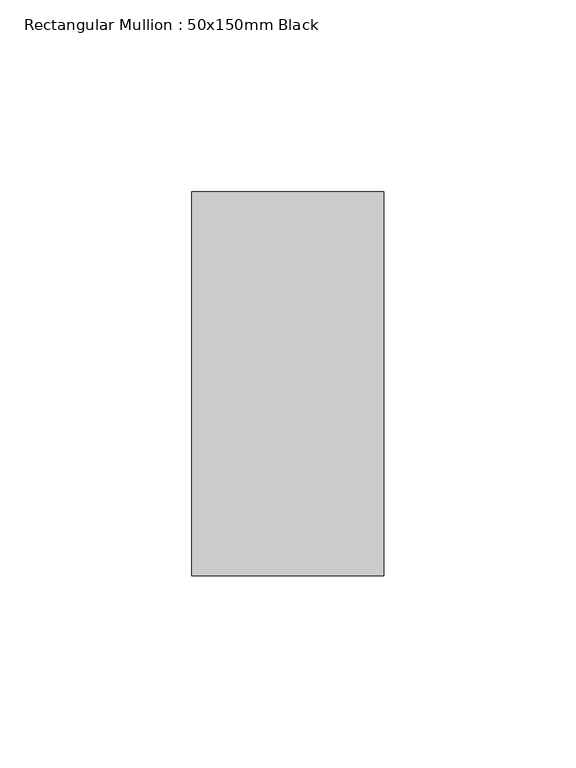
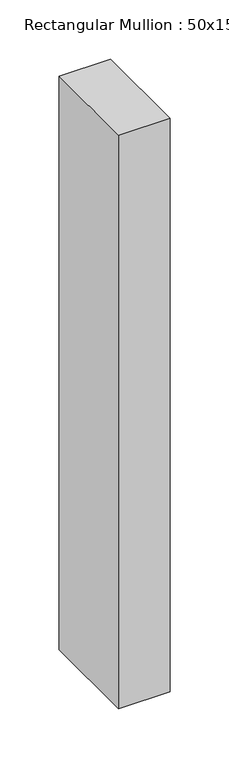
"""IFC4 building model written with IfcOpenShell, lengths in millimetres: member geometry, Rectangular Mullion : 50x150mm Black."""

from ifc_helpers import new_model, si_unit, frame, origin, place, context, project, spatial, polyline, outline, extrude, source, transform, mapped, element, save


def rectangular_mullion_50x150mm_black_3a4f57ba(model_context):
    return source(origin(), model_context, "Body", "SweptSolid", [
        extrude(outline(polyline([(0.0, 50.0), (0.0, -50.0), (-50.0, -50.0), (-50.0, 50.0), (0.0, 50.0)])), frame((0.0, 0.0, -590.0), z_axis=(0.0, 0.0, 1.0), x_axis=(1.0, 0.0, 0.0)), (0.0, 0.0, 1.0), 590.0),
    ])


if __name__ == "__main__":
    model = new_model("IFC4")
    model_context = context("Model", 3, world=origin())
    ifc_project = project(units=[si_unit("LENGTHUNIT", "METRE", prefix="MILLI")], contexts=[model_context])
    site = spatial("IfcSite", under=ifc_project)
    building = spatial("IfcBuilding", under=site)
    placement = place(None, origin())
    rectangular_mullion_50x150mm_black_shape = rectangular_mullion_50x150mm_black_3a4f57ba(model_context)
    element("IfcMember", 1, ObjectType="Rectangular Mullion : 50x150mm Black", at=placement, inside=building, context=model_context, shape_type="MappedRepresentation", body=[
        mapped(rectangular_mullion_50x150mm_black_shape, transform((0.0, 0.0, 0.0), x_axis=(1.0, 0.0, 0.0), y_axis=(0.0, 1.0, 0.0), z_axis=(0.0, 0.0, 1.0))),
    ])
    save(model, "model.ifc")
